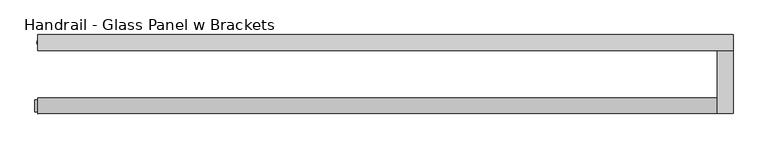
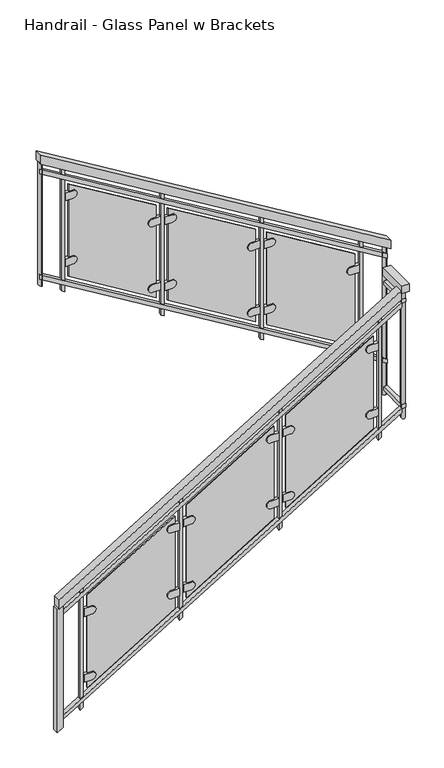
"""IFC4 building model written with IfcOpenShell, lengths in millimetres: railing geometry, Handrail - Glass Panel w Brackets."""

from ifc_helpers import new_model, si_unit, point, frame, frame_2d, origin, place, context, project, spatial, polyline, circle_curve, ellipse_curve, trimmed, segment, composite_curve, outline, extrude, source, transform, mapped, element, save
from ifc_brep_helpers import plane_surface, cylinder_surface, advanced_brep


def handrail_glass_panel_w_brackets_f4f2583b(model_context):
    return source(origin(), model_context, "Body", "SolidModel", [
        extrude(outline(polyline([(1083.7333333, -2988.7266552), (1024.3318731, -2988.7266552), (2348.210661, -804.3266552), (2407.6121212, -804.3266552), (1083.7333333, -2988.7266552)])), frame((0.0, 9243.377236, 0.0), z_axis=(0.0, 1.0, 0.0), x_axis=(0.0, 0.0, 1.0)), (0.0, 0.0, 1.0), 50.8),
        extrude(outline(polyline([(-753.5266552, 9243.377236), (-804.3266552, 9243.377236), (-804.3266552, 9446.577236), (-753.5266552, 9446.577236), (-753.5266552, 9243.377236)])), frame((0.0, 0.0, 2387.6), z_axis=(0.0, 0.0, 1.0), x_axis=(1.0, 0.0, 0.0)), (0.0, 0.0, 1.0), 50.8),
        extrude(outline(polyline([(2548.3318731, -753.5266552), (2607.7333333, -753.5266552), (3962.4, -2988.7266552), (3902.9985397, -2988.7266552), (2548.3318731, -753.5266552)])), frame((0.0, 9446.577236, 0.0), z_axis=(0.0, 1.0, 0.0), x_axis=(0.0, 0.0, 1.0)), (0.0, 0.0, 1.0), 50.8),
        extrude(outline(polyline([(982.1333333, -2988.7266552), (952.4326032, -2988.7266552), (2284.0083608, -791.6266552), (2313.7090909, -791.6266552), (982.1333333, -2988.7266552)])), frame((0.0, 9256.077236, 0.0), z_axis=(0.0, 1.0, 0.0), x_axis=(0.0, 0.0, 1.0)), (0.0, 0.0, 1.0), 25.4),
        extrude(outline(polyline([(-766.2266552, 9256.077236), (-791.6266552, 9256.077236), (-791.6266552, 9459.277236), (-766.2266552, 9459.277236), (-766.2266552, 9256.077236)])), frame((0.0, 0.0, 2311.4), z_axis=(0.0, 0.0, 1.0), x_axis=(1.0, 0.0, 0.0)), (0.0, 0.0, 1.0), 25.4),
        extrude(outline(polyline([(2484.1295729, -766.2266552), (2513.830303, -766.2266552), (3860.8, -2988.7266552), (3831.0992699, -2988.7266552), (2484.1295729, -766.2266552)])), frame((0.0, 9459.277236, 0.0), z_axis=(0.0, 1.0, 0.0), x_axis=(0.0, 0.0, 1.0)), (0.0, 0.0, 1.0), 25.4),
        extrude(outline(polyline([(270.9333333, -2988.7266552), (241.2326032, -2988.7266552), (1572.8083608, -791.6266552), (1602.5090909, -791.6266552), (270.9333333, -2988.7266552)])), frame((0.0, 9256.077236, 0.0), z_axis=(0.0, 1.0, 0.0), x_axis=(0.0, 0.0, 1.0)), (0.0, 0.0, 1.0), 25.4),
        extrude(outline(polyline([(-766.2266552, 9256.077236), (-791.6266552, 9256.077236), (-791.6266552, 9459.277236), (-766.2266552, 9459.277236), (-766.2266552, 9256.077236)])), frame((0.0, 0.0, 1600.2), z_axis=(0.0, 0.0, 1.0), x_axis=(1.0, 0.0, 0.0)), (0.0, 0.0, 1.0), 25.4),
        extrude(outline(polyline([(1772.9295729, -766.2266552), (1802.630303, -766.2266552), (3149.6, -2988.7266552), (3119.8992699, -2988.7266552), (1772.9295729, -766.2266552)])), frame((0.0, 9459.277236, 0.0), z_axis=(0.0, 1.0, 0.0), x_axis=(0.0, 0.0, 1.0)), (0.0, 0.0, 1.0), 25.4),
        extrude(outline(polyline([(3816.4076307, -2845.8516552), (2988.1065238, -2845.8516552), (2976.5610692, -2826.8016552), (3804.8621761, -2826.8016552), (3816.4076307, -2845.8516552)])), frame((0.0, 9462.452236, 0.0), z_axis=(0.0, 1.0, 0.0), x_axis=(0.0, 0.0, 1.0)), (0.0, 0.0, 1.0), 19.05),
        extrude(outline(composite_curve([segment(polyline([(3637.6357433, -2772.8266552), (3637.6357433, -2823.6266552), (3586.8357433, -2823.6266552), (3586.8357433, -2772.8266552)]), True, "CONTINUOUS"), segment(trimmed(circle_curve(frame_2d((3612.2357433, -2772.8266552)), 25.4), [point((3586.8357433, -2772.8266552))], [point((3637.6357433, -2772.8266552))], False, "CARTESIAN"), True, "CONTINUOUS")], self_intersect=False)), frame((0.0, 9465.627236, 0.0), z_axis=(0.0, 1.0, 0.0), x_axis=(0.0, 0.0, 1.0)), (0.0, 0.0, 1.0), 19.05),
        extrude(outline(composite_curve([segment(trimmed(circle_curve(frame_2d((3242.7811979, -2264.8266552)), 25.4), [point((3268.1811979, -2264.8266552))], [point((3217.3811979, -2264.8266552))], False, "CARTESIAN"), True, "CONTINUOUS"), segment(polyline([(3217.3811979, -2264.8266552), (3217.3811979, -2214.0266552), (3268.1811979, -2214.0266552), (3268.1811979, -2264.8266552)]), True, "CONTINUOUS")], self_intersect=False)), frame((0.0, 9465.627236, 0.0), z_axis=(0.0, 1.0, 0.0), x_axis=(0.0, 0.0, 1.0)), (0.0, 0.0, 1.0), 19.05),
        extrude(outline(composite_curve([segment(polyline([(3193.7423144, -2772.8266552), (3193.7423144, -2823.6266552), (3142.9423144, -2823.6266552), (3142.9423144, -2772.8266552)]), True, "CONTINUOUS"), segment(trimmed(circle_curve(frame_2d((3168.3423144, -2772.8266552)), 25.4), [point((3142.9423144, -2772.8266552))], [point((3193.7423144, -2772.8266552))], False, "CARTESIAN"), True, "CONTINUOUS")], self_intersect=False)), frame((0.0, 9465.627236, 0.0), z_axis=(0.0, 1.0, 0.0), x_axis=(0.0, 0.0, 1.0)), (0.0, 0.0, 1.0), 19.05),
        extrude(outline(composite_curve([segment(trimmed(circle_curve(frame_2d((2798.887769, -2264.8266552)), 25.4), [point((2824.287769, -2264.8266552))], [point((2773.487769, -2264.8266552))], False, "CARTESIAN"), True, "CONTINUOUS"), segment(polyline([(2773.487769, -2264.8266552), (2773.487769, -2214.0266552), (2824.287769, -2214.0266552), (2824.287769, -2264.8266552)]), True, "CONTINUOUS")], self_intersect=False)), frame((0.0, 9465.627236, 0.0), z_axis=(0.0, 1.0, 0.0), x_axis=(0.0, 0.0, 1.0)), (0.0, 0.0, 1.0), 19.05),
        extrude(outline(polyline([(3347.2773276, -2239.4266552), (3685.9439943, -2798.2266552), (3063.8461847, -2798.2266552), (2725.179518, -2239.4266552), (3347.2773276, -2239.4266552)])), frame((0.0, 9471.977236, 0.0), z_axis=(0.0, 1.0, 0.0), x_axis=(0.0, 0.0, 1.0)), (0.0, 0.0, 1.0), 6.35),
        extrude(outline(polyline([(3431.5591458, -2210.8516552), (2603.2580389, -2210.8516552), (2591.7125844, -2191.8016552), (3420.0136913, -2191.8016552), (3431.5591458, -2210.8516552)])), frame((0.0, 9462.452236, 0.0), z_axis=(0.0, 1.0, 0.0), x_axis=(0.0, 0.0, 1.0)), (0.0, 0.0, 1.0), 19.05),
        extrude(outline(composite_curve([segment(polyline([(3252.7872585, -2137.8266552), (3252.7872585, -2188.6266552), (3201.9872585, -2188.6266552), (3201.9872585, -2137.8266552)]), True, "CONTINUOUS"), segment(trimmed(circle_curve(frame_2d((3227.3872585, -2137.8266552)), 25.4), [point((3201.9872585, -2137.8266552))], [point((3252.7872585, -2137.8266552))], False, "CARTESIAN"), True, "CONTINUOUS")], self_intersect=False)), frame((0.0, 9465.627236, 0.0), z_axis=(0.0, 1.0, 0.0), x_axis=(0.0, 0.0, 1.0)), (0.0, 0.0, 1.0), 19.05),
        extrude(outline(composite_curve([segment(trimmed(circle_curve(frame_2d((2857.932713, -1629.8266552)), 25.4), [point((2883.332713, -1629.8266552))], [point((2832.532713, -1629.8266552))], False, "CARTESIAN"), True, "CONTINUOUS"), segment(polyline([(2832.532713, -1629.8266552), (2832.532713, -1579.0266552), (2883.332713, -1579.0266552), (2883.332713, -1629.8266552)]), True, "CONTINUOUS")], self_intersect=False)), frame((0.0, 9465.627236, 0.0), z_axis=(0.0, 1.0, 0.0), x_axis=(0.0, 0.0, 1.0)), (0.0, 0.0, 1.0), 19.05),
        extrude(outline(composite_curve([segment(polyline([(2808.8938296, -2137.8266552), (2808.8938296, -2188.6266552), (2758.0938296, -2188.6266552), (2758.0938296, -2137.8266552)]), True, "CONTINUOUS"), segment(trimmed(circle_curve(frame_2d((2783.4938296, -2137.8266552)), 25.4), [point((2758.0938296, -2137.8266552))], [point((2808.8938296, -2137.8266552))], False, "CARTESIAN"), True, "CONTINUOUS")], self_intersect=False)), frame((0.0, 9465.627236, 0.0), z_axis=(0.0, 1.0, 0.0), x_axis=(0.0, 0.0, 1.0)), (0.0, 0.0, 1.0), 19.05),
        extrude(outline(composite_curve([segment(trimmed(circle_curve(frame_2d((2414.0392841, -1629.8266552)), 25.4), [point((2439.4392841, -1629.8266552))], [point((2388.6392841, -1629.8266552))], False, "CARTESIAN"), True, "CONTINUOUS"), segment(polyline([(2388.6392841, -1629.8266552), (2388.6392841, -1579.0266552), (2439.4392841, -1579.0266552), (2439.4392841, -1629.8266552)]), True, "CONTINUOUS")], self_intersect=False)), frame((0.0, 9465.627236, 0.0), z_axis=(0.0, 1.0, 0.0), x_axis=(0.0, 0.0, 1.0)), (0.0, 0.0, 1.0), 19.05),
        extrude(outline(polyline([(2962.4288428, -1604.4266552), (3301.0955094, -2163.2266552), (2678.9976998, -2163.2266552), (2340.3310332, -1604.4266552), (2962.4288428, -1604.4266552)])), frame((0.0, 9471.977236, 0.0), z_axis=(0.0, 1.0, 0.0), x_axis=(0.0, 0.0, 1.0)), (0.0, 0.0, 1.0), 6.35),
        extrude(outline(polyline([(3046.710661, -1575.8516552), (2218.4095541, -1575.8516552), (2206.8640995, -1556.8016552), (3035.1652064, -1556.8016552), (3046.710661, -1575.8516552)])), frame((0.0, 9462.452236, 0.0), z_axis=(0.0, 1.0, 0.0), x_axis=(0.0, 0.0, 1.0)), (0.0, 0.0, 1.0), 19.05),
        extrude(outline(composite_curve([segment(polyline([(2867.9387736, -1502.8266552), (2867.9387736, -1553.6266552), (2817.1387736, -1553.6266552), (2817.1387736, -1502.8266552)]), True, "CONTINUOUS"), segment(trimmed(circle_curve(frame_2d((2842.5387736, -1502.8266552)), 25.4), [point((2817.1387736, -1502.8266552))], [point((2867.9387736, -1502.8266552))], False, "CARTESIAN"), True, "CONTINUOUS")], self_intersect=False)), frame((0.0, 9465.627236, 0.0), z_axis=(0.0, 1.0, 0.0), x_axis=(0.0, 0.0, 1.0)), (0.0, 0.0, 1.0), 19.05),
        extrude(outline(composite_curve([segment(trimmed(circle_curve(frame_2d((2473.0842282, -994.8266552)), 25.4), [point((2498.4842282, -994.8266552))], [point((2447.6842282, -994.8266552))], False, "CARTESIAN"), True, "CONTINUOUS"), segment(polyline([(2447.6842282, -994.8266552), (2447.6842282, -944.0266552), (2498.4842282, -944.0266552), (2498.4842282, -994.8266552)]), True, "CONTINUOUS")], self_intersect=False)), frame((0.0, 9465.627236, 0.0), z_axis=(0.0, 1.0, 0.0), x_axis=(0.0, 0.0, 1.0)), (0.0, 0.0, 1.0), 19.05),
        extrude(outline(composite_curve([segment(polyline([(2424.0453447, -1502.8266552), (2424.0453447, -1553.6266552), (2373.2453447, -1553.6266552), (2373.2453447, -1502.8266552)]), True, "CONTINUOUS"), segment(trimmed(circle_curve(frame_2d((2398.6453447, -1502.8266552)), 25.4), [point((2373.2453447, -1502.8266552))], [point((2424.0453447, -1502.8266552))], False, "CARTESIAN"), True, "CONTINUOUS")], self_intersect=False)), frame((0.0, 9465.627236, 0.0), z_axis=(0.0, 1.0, 0.0), x_axis=(0.0, 0.0, 1.0)), (0.0, 0.0, 1.0), 19.05),
        extrude(outline(composite_curve([segment(trimmed(circle_curve(frame_2d((2029.1907993, -994.8266552)), 25.4), [point((2054.5907993, -994.8266552))], [point((2003.7907993, -994.8266552))], False, "CARTESIAN"), True, "CONTINUOUS"), segment(polyline([(2003.7907993, -994.8266552), (2003.7907993, -944.0266552), (2054.5907993, -944.0266552), (2054.5907993, -994.8266552)]), True, "CONTINUOUS")], self_intersect=False)), frame((0.0, 9465.627236, 0.0), z_axis=(0.0, 1.0, 0.0), x_axis=(0.0, 0.0, 1.0)), (0.0, 0.0, 1.0), 19.05),
        extrude(outline(polyline([(2577.5803579, -969.4266552), (2916.2470246, -1528.2266552), (2294.149215, -1528.2266552), (1955.4825483, -969.4266552), (2577.5803579, -969.4266552)])), frame((0.0, 9471.977236, 0.0), z_axis=(0.0, 1.0, 0.0), x_axis=(0.0, 0.0, 1.0)), (0.0, 0.0, 1.0), 6.35),
        extrude(outline(polyline([(2661.8621761, -940.8516552), (1833.5610692, -940.8516552), (1822.0156147, -921.8016552), (2650.3167216, -921.8016552), (2661.8621761, -940.8516552)])), frame((0.0, 9462.452236, 0.0), z_axis=(0.0, 1.0, 0.0), x_axis=(0.0, 0.0, 1.0)), (0.0, 0.0, 1.0), 19.05),
        extrude(outline(polyline([(2265.4682367, -940.8516552), (1437.1671298, -940.8516552), (1448.7125844, -921.8016552), (2277.0136913, -921.8016552), (2265.4682367, -940.8516552)])), frame((0.0, 9259.252236, 0.0), z_axis=(0.0, 1.0, 0.0), x_axis=(0.0, 0.0, 1.0)), (0.0, 0.0, 1.0), 19.05),
        extrude(outline(composite_curve([segment(trimmed(circle_curve(frame_2d((2072.8418039, -994.8266552)), 25.4), [point((2098.2418039, -994.8266552))], [point((2047.4418039, -994.8266552))], False, "CARTESIAN"), True, "CONTINUOUS"), segment(polyline([(2047.4418039, -994.8266552), (2047.4418039, -944.0266552), (2098.2418039, -944.0266552), (2098.2418039, -994.8266552)]), True, "CONTINUOUS")], self_intersect=False)), frame((0.0, 9256.077236, 0.0), z_axis=(0.0, 1.0, 0.0), x_axis=(0.0, 0.0, 1.0)), (0.0, 0.0, 1.0), 19.05),
        extrude(outline(composite_curve([segment(polyline([(1728.7872585, -1502.8266552), (1728.7872585, -1553.6266552), (1677.9872585, -1553.6266552), (1677.9872585, -1502.8266552)]), True, "CONTINUOUS"), segment(trimmed(circle_curve(frame_2d((1703.3872585, -1502.8266552)), 25.4), [point((1677.9872585, -1502.8266552))], [point((1728.7872585, -1502.8266552))], False, "CARTESIAN"), True, "CONTINUOUS")], self_intersect=False)), frame((0.0, 9256.077236, 0.0), z_axis=(0.0, 1.0, 0.0), x_axis=(0.0, 0.0, 1.0)), (0.0, 0.0, 1.0), 19.05),
        extrude(outline(composite_curve([segment(trimmed(circle_curve(frame_2d((1628.9483751, -994.8266552)), 25.4), [point((1654.3483751, -994.8266552))], [point((1603.5483751, -994.8266552))], False, "CARTESIAN"), True, "CONTINUOUS"), segment(polyline([(1603.5483751, -994.8266552), (1603.5483751, -944.0266552), (1654.3483751, -944.0266552), (1654.3483751, -994.8266552)]), True, "CONTINUOUS")], self_intersect=False)), frame((0.0, 9256.077236, 0.0), z_axis=(0.0, 1.0, 0.0), x_axis=(0.0, 0.0, 1.0)), (0.0, 0.0, 1.0), 19.05),
        extrude(outline(composite_curve([segment(polyline([(1284.8938296, -1502.8266552), (1284.8938296, -1553.6266552), (1234.0938296, -1553.6266552), (1234.0938296, -1502.8266552)]), True, "CONTINUOUS"), segment(trimmed(circle_curve(frame_2d((1259.4938296, -1502.8266552)), 25.4), [point((1234.0938296, -1502.8266552))], [point((1284.8938296, -1502.8266552))], False, "CARTESIAN"), True, "CONTINUOUS")], self_intersect=False)), frame((0.0, 9256.077236, 0.0), z_axis=(0.0, 1.0, 0.0), x_axis=(0.0, 0.0, 1.0)), (0.0, 0.0, 1.0), 19.05),
        extrude(outline(polyline([(1807.8833882, -1528.2266552), (1185.7855786, -1528.2266552), (1524.4522453, -969.4266552), (2146.5500549, -969.4266552), (1807.8833882, -1528.2266552)])), frame((0.0, 9262.427236, 0.0), z_axis=(0.0, 1.0, 0.0), x_axis=(0.0, 0.0, 1.0)), (0.0, 0.0, 1.0), 6.35),
        extrude(outline(polyline([(1880.6197519, -1575.8516552), (1052.318645, -1575.8516552), (1063.8640995, -1556.8016552), (1892.1652064, -1556.8016552), (1880.6197519, -1575.8516552)])), frame((0.0, 9259.252236, 0.0), z_axis=(0.0, 1.0, 0.0), x_axis=(0.0, 0.0, 1.0)), (0.0, 0.0, 1.0), 19.05),
        extrude(outline(composite_curve([segment(trimmed(circle_curve(frame_2d((1687.9933191, -1629.8266552)), 25.4), [point((1713.3933191, -1629.8266552))], [point((1662.5933191, -1629.8266552))], False, "CARTESIAN"), True, "CONTINUOUS"), segment(polyline([(1662.5933191, -1629.8266552), (1662.5933191, -1579.0266552), (1713.3933191, -1579.0266552), (1713.3933191, -1629.8266552)]), True, "CONTINUOUS")], self_intersect=False)), frame((0.0, 9256.077236, 0.0), z_axis=(0.0, 1.0, 0.0), x_axis=(0.0, 0.0, 1.0)), (0.0, 0.0, 1.0), 19.05),
        extrude(outline(composite_curve([segment(polyline([(1343.9387736, -2137.8266552), (1343.9387736, -2188.6266552), (1293.1387736, -2188.6266552), (1293.1387736, -2137.8266552)]), True, "CONTINUOUS"), segment(trimmed(circle_curve(frame_2d((1318.5387736, -2137.8266552)), 25.4), [point((1293.1387736, -2137.8266552))], [point((1343.9387736, -2137.8266552))], False, "CARTESIAN"), True, "CONTINUOUS")], self_intersect=False)), frame((0.0, 9256.077236, 0.0), z_axis=(0.0, 1.0, 0.0), x_axis=(0.0, 0.0, 1.0)), (0.0, 0.0, 1.0), 19.05),
        extrude(outline(composite_curve([segment(trimmed(circle_curve(frame_2d((1244.0998902, -1629.8266552)), 25.4), [point((1269.4998902, -1629.8266552))], [point((1218.6998902, -1629.8266552))], False, "CARTESIAN"), True, "CONTINUOUS"), segment(polyline([(1218.6998902, -1629.8266552), (1218.6998902, -1579.0266552), (1269.4998902, -1579.0266552), (1269.4998902, -1629.8266552)]), True, "CONTINUOUS")], self_intersect=False)), frame((0.0, 9256.077236, 0.0), z_axis=(0.0, 1.0, 0.0), x_axis=(0.0, 0.0, 1.0)), (0.0, 0.0, 1.0), 19.05),
        extrude(outline(composite_curve([segment(polyline([(900.0453447, -2137.8266552), (900.0453447, -2188.6266552), (849.2453447, -2188.6266552), (849.2453447, -2137.8266552)]), True, "CONTINUOUS"), segment(trimmed(circle_curve(frame_2d((874.6453447, -2137.8266552)), 25.4), [point((849.2453447, -2137.8266552))], [point((900.0453447, -2137.8266552))], False, "CARTESIAN"), True, "CONTINUOUS")], self_intersect=False)), frame((0.0, 9256.077236, 0.0), z_axis=(0.0, 1.0, 0.0), x_axis=(0.0, 0.0, 1.0)), (0.0, 0.0, 1.0), 19.05),
        extrude(outline(polyline([(1423.0349034, -2163.2266552), (800.9370938, -2163.2266552), (1139.6037604, -1604.4266552), (1761.70157, -1604.4266552), (1423.0349034, -2163.2266552)])), frame((0.0, 9262.427236, 0.0), z_axis=(0.0, 1.0, 0.0), x_axis=(0.0, 0.0, 1.0)), (0.0, 0.0, 1.0), 6.35),
        extrude(outline(polyline([(1495.771267, -2210.8516552), (667.4701601, -2210.8516552), (679.0156147, -2191.8016552), (1507.3167216, -2191.8016552), (1495.771267, -2210.8516552)])), frame((0.0, 9259.252236, 0.0), z_axis=(0.0, 1.0, 0.0), x_axis=(0.0, 0.0, 1.0)), (0.0, 0.0, 1.0), 19.05),
        extrude(outline(composite_curve([segment(trimmed(circle_curve(frame_2d((1303.1448342, -2264.8266552)), 25.4), [point((1328.5448342, -2264.8266552))], [point((1277.7448342, -2264.8266552))], False, "CARTESIAN"), True, "CONTINUOUS"), segment(polyline([(1277.7448342, -2264.8266552), (1277.7448342, -2214.0266552), (1328.5448342, -2214.0266552), (1328.5448342, -2264.8266552)]), True, "CONTINUOUS")], self_intersect=False)), frame((0.0, 9256.077236, 0.0), z_axis=(0.0, 1.0, 0.0), x_axis=(0.0, 0.0, 1.0)), (0.0, 0.0, 1.0), 19.05),
        extrude(outline(composite_curve([segment(polyline([(959.0902888, -2772.8266552), (959.0902888, -2823.6266552), (908.2902888, -2823.6266552), (908.2902888, -2772.8266552)]), True, "CONTINUOUS"), segment(trimmed(circle_curve(frame_2d((933.6902888, -2772.8266552)), 25.4), [point((908.2902888, -2772.8266552))], [point((959.0902888, -2772.8266552))], False, "CARTESIAN"), True, "CONTINUOUS")], self_intersect=False)), frame((0.0, 9256.077236, 0.0), z_axis=(0.0, 1.0, 0.0), x_axis=(0.0, 0.0, 1.0)), (0.0, 0.0, 1.0), 19.05),
        extrude(outline(composite_curve([segment(trimmed(circle_curve(frame_2d((859.2514054, -2264.8266552)), 25.4), [point((884.6514054, -2264.8266552))], [point((833.8514054, -2264.8266552))], False, "CARTESIAN"), True, "CONTINUOUS"), segment(polyline([(833.8514054, -2264.8266552), (833.8514054, -2214.0266552), (884.6514054, -2214.0266552), (884.6514054, -2264.8266552)]), True, "CONTINUOUS")], self_intersect=False)), frame((0.0, 9256.077236, 0.0), z_axis=(0.0, 1.0, 0.0), x_axis=(0.0, 0.0, 1.0)), (0.0, 0.0, 1.0), 19.05),
        extrude(outline(composite_curve([segment(polyline([(515.1968599, -2772.8266552), (515.1968599, -2823.6266552), (464.3968599, -2823.6266552), (464.3968599, -2772.8266552)]), True, "CONTINUOUS"), segment(trimmed(circle_curve(frame_2d((489.7968599, -2772.8266552)), 25.4), [point((464.3968599, -2772.8266552))], [point((515.1968599, -2772.8266552))], False, "CARTESIAN"), True, "CONTINUOUS")], self_intersect=False)), frame((0.0, 9256.077236, 0.0), z_axis=(0.0, 1.0, 0.0), x_axis=(0.0, 0.0, 1.0)), (0.0, 0.0, 1.0), 19.05),
        extrude(outline(polyline([(1038.1864185, -2798.2266552), (416.0886089, -2798.2266552), (754.7552756, -2239.4266552), (1376.8530852, -2239.4266552), (1038.1864185, -2798.2266552)])), frame((0.0, 9262.427236, 0.0), z_axis=(0.0, 1.0, 0.0), x_axis=(0.0, 0.0, 1.0)), (0.0, 0.0, 1.0), 6.35),
        extrude(outline(polyline([(1110.9227822, -2845.8516552), (282.6216753, -2845.8516552), (294.1671298, -2826.8016552), (1122.4682367, -2826.8016552), (1110.9227822, -2845.8516552)])), frame((0.0, 9259.252236, 0.0), z_axis=(0.0, 1.0, 0.0), x_axis=(0.0, 0.0, 1.0)), (0.0, 0.0, 1.0), 19.05),
        advanced_brep(
        [(-778.9266552, 9459.277236, 2563.7258125), (-778.9266552, 9484.677236, 2563.7258125), (-778.9266552, 9484.677236, 1565.275), (-778.9266552, 9459.277236, 1565.275)],
        [
            (0, 1, ellipse_curve(frame((-778.9266552, 9471.977236, 2563.7258125), z_axis=(-0.5183017160933416, 0.0, -0.8551978315540195), x_axis=(-0.8551978315540195, 0.0, 0.5183017160933416)), 14.8503651, 12.7)),
            (1, 2),
            (2, 3, circle_curve(frame((-778.9266552, 9471.977236, 1565.275), z_axis=(0.0, 0.0, 1.0), x_axis=(0.0, 1.0, 0.0)), 12.7)),
            (3, 0),
            (3, 2, circle_curve(frame((-778.9266552, 9471.977236, 1565.275), z_axis=(0.0, 0.0, 1.0), x_axis=(0.0, 1.0, 0.0)), 12.7)),
            (1, 0, ellipse_curve(frame((-778.9266552, 9471.977236, 2563.7258125), z_axis=(-0.5183017160933416, 0.0, -0.8551978315540195), x_axis=(-0.8551978315540195, 0.0, 0.5183017160933416)), 14.8503651, 12.7)),
        ],
        [
            cylinder_surface(frame((-778.9266552, 9471.977236, 1336.675), z_axis=(0.0, 0.0, 1.0), x_axis=(0.0, 1.0, 0.0)), 12.7),
            plane_surface(frame((-804.3266552, 9497.377236, 2579.1197519), z_axis=(0.5183017160933416, 0.0, 0.8551978315540195), x_axis=(0.0, -1.0, 0.0))),
            plane_surface(frame((-753.5266552, 9497.377236, 1565.275), z_axis=(0.0, 0.0, -1.0), x_axis=(0.0, -1.0, 0.0))),
        ],
        [
            (0, [[1, 2, 3, 4]]),
            (0, [[5, -2, 6, -4]]),
            (1, [[-6, -1]]),
            (2, [[-5, -3]]),
        ],
    ),
        advanced_brep(
        [(-791.6266552, 9268.777236, 2387.6), (-766.2266552, 9268.777236, 2387.6), (-766.2266552, 9268.777236, 1535.3034935), (-791.6266552, 9268.777236, 1535.3034935)],
        [
            (0, 1, circle_curve(frame((-778.9266552, 9268.777236, 2387.6), z_axis=(0.0, 0.0, -1.0), x_axis=(1.0, 0.0, 0.0)), 12.7)),
            (1, 2),
            (2, 3, ellipse_curve(frame((-778.9266552, 9268.777236, 1535.3034935), z_axis=(0.0, -0.518301716093344, 0.8551978315540181), x_axis=(0.0, 0.8551978315540181, 0.518301716093344)), 14.8503651, 12.7)),
            (3, 0),
            (3, 2, ellipse_curve(frame((-778.9266552, 9268.777236, 1535.3034935), z_axis=(0.0, -0.518301716093344, 0.8551978315540181), x_axis=(0.0, 0.8551978315540181, 0.518301716093344)), 14.8503651, 12.7)),
            (1, 0, circle_curve(frame((-778.9266552, 9268.777236, 2387.6), z_axis=(0.0, 0.0, -1.0), x_axis=(1.0, 0.0, 0.0)), 12.7)),
        ],
        [
            cylinder_surface(frame((-778.9266552, 9268.777236, 1306.7034935), z_axis=(0.0, 0.0, 1.0), x_axis=(1.0, 0.0, 0.0)), 12.7),
            plane_surface(frame((-753.5266552, 9294.177236, 2387.6), z_axis=(0.0, 0.0, 1.0), x_axis=(-1.0, 0.0, 0.0))),
            plane_surface(frame((-753.5266552, 9243.377236, 1519.9095541), z_axis=(0.0, 0.518301716093344, -0.8551978315540181), x_axis=(-1.0, 0.0, 0.0))),
        ],
        [
            (0, [[1, 2, 3, 4]]),
            (0, [[5, -2, 6, -4]]),
            (1, [[-6, -1]]),
            (2, [[-5, -3]]),
        ],
    ),
        advanced_brep(
        [(-2979.2016552, 9459.277236, 3897.2258125), (-2979.2016552, 9484.677236, 3897.2258125), (-2979.2016552, 9484.677236, 3068.9247056), (-2979.2016552, 9459.277236, 3068.9247056)],
        [
            (0, 1, ellipse_curve(frame((-2979.2016552, 9471.977236, 3897.2258125), z_axis=(-0.5183017160933416, 0.0, -0.8551978315540195), x_axis=(-0.8551978315540195, 0.0, 0.5183017160933416)), 14.8503651, 12.7)),
            (1, 2),
            (2, 3, ellipse_curve(frame((-2979.2016552, 9471.977236, 3068.9247056), z_axis=(0.5183017160933442, 0.0, 0.855197831554018), x_axis=(-0.8551978315540179, 0.0, 0.518301716093344)), 14.8503651, 12.7)),
            (3, 0),
            (3, 2, ellipse_curve(frame((-2979.2016552, 9471.977236, 3068.9247056), z_axis=(0.5183017160933442, 0.0, 0.855197831554018), x_axis=(-0.8551978315540179, 0.0, 0.518301716093344)), 14.8503651, 12.7)),
            (1, 0, ellipse_curve(frame((-2979.2016552, 9471.977236, 3897.2258125), z_axis=(-0.5183017160933416, 0.0, -0.8551978315540195), x_axis=(-0.8551978315540195, 0.0, 0.5183017160933416)), 14.8503651, 12.7)),
        ],
        [
            cylinder_surface(frame((-2979.2016552, 9471.977236, 2840.3247056), z_axis=(0.0, 0.0, 1.0), x_axis=(0.0, 1.0, 0.0)), 12.7),
            plane_surface(frame((-3004.6016552, 9497.377236, 3912.6197519), z_axis=(0.5183017160933416, 0.0, 0.8551978315540195), x_axis=(0.0, -1.0, 0.0))),
            plane_surface(frame((-2953.8016552, 9497.377236, 3053.5307662), z_axis=(-0.5183017160933442, 0.0, -0.855197831554018), x_axis=(0.0, -1.0, 0.0))),
        ],
        [
            (0, [[1, 2, 3, 4]]),
            (0, [[5, -2, 6, -4]]),
            (1, [[-6, -1]]),
            (2, [[-5, -3]]),
        ],
    ),
        extrude(outline(polyline([(1018.5591458, -2998.2516552), (190.2580389, -2998.2516552), (213.348948, -2960.1516552), (1041.6500549, -2960.1516552), (1018.5591458, -2998.2516552)])), frame((0.0, 9249.727236, 0.0), z_axis=(0.0, 1.0, 0.0), x_axis=(0.0, 0.0, 1.0)), (0.0, 0.0, 1.0), 38.1),
    ])


if __name__ == "__main__":
    model = new_model("IFC4")
    model_context = context("Model", 3, world=origin())
    ifc_project = project(units=[si_unit("LENGTHUNIT", "METRE", prefix="MILLI")], contexts=[model_context])
    site = spatial("IfcSite", under=ifc_project)
    building = spatial("IfcBuilding", under=site)
    placement = place(None, origin())
    handrail_glass_panel_w_brackets_shape = handrail_glass_panel_w_brackets_f4f2583b(model_context)
    element("IfcRailing", 1, ObjectType="Handrail - Glass Panel w Brackets", at=placement, inside=building, context=model_context, shape_type="MappedRepresentation", body=[
        mapped(handrail_glass_panel_w_brackets_shape, transform((0.0, 0.0, 0.0), x_axis=(1.0, 0.0, 0.0), y_axis=(0.0, 1.0, 0.0), z_axis=(0.0, 0.0, 1.0))),
    ])
    save(model, "model.ifc")
